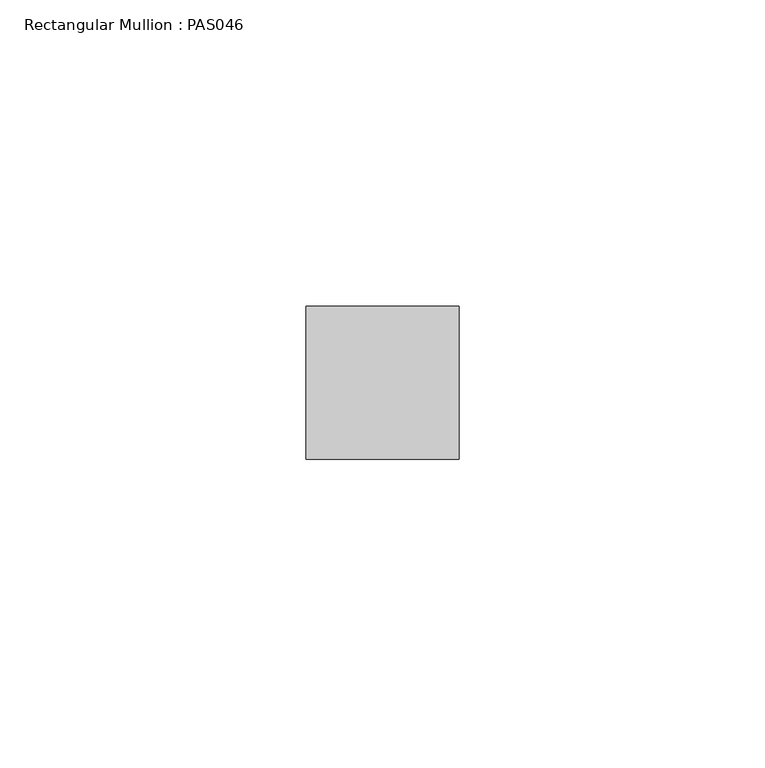
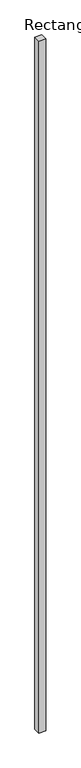
"""IFC4 building model written with IfcOpenShell, lengths in millimetres: member geometry, Rectangular Mullion : PAS046."""

from ifc_helpers import new_model, si_unit, frame, origin, place, context, project, spatial, polyline, outline, extrude, source, transform, mapped, element, save


def rectangular_mullion_pas046_0d79a38a(model_context):
    return source(origin(), model_context, "Body", "SweptSolid", [
        extrude(outline(polyline([(-25.0, 0.0), (-25.0, 25.0), (0.0, 25.0), (0.0, 0.0), (-25.0, 0.0)])), frame((0.0, 0.0, -2700.0), z_axis=(0.0, 0.0, 1.0), x_axis=(1.0, 0.0, 0.0)), (0.0, 0.0, 1.0), 2700.0),
    ])


if __name__ == "__main__":
    model = new_model("IFC4")
    model_context = context("Model", 3, world=origin())
    ifc_project = project(units=[si_unit("LENGTHUNIT", "METRE", prefix="MILLI")], contexts=[model_context])
    site = spatial("IfcSite", under=ifc_project)
    building = spatial("IfcBuilding", under=site)
    placement = place(None, origin())
    rectangular_mullion_pas046_shape = rectangular_mullion_pas046_0d79a38a(model_context)
    element("IfcMember", 1, ObjectType="Rectangular Mullion : PAS046", at=placement, inside=building, context=model_context, shape_type="MappedRepresentation", body=[
        mapped(rectangular_mullion_pas046_shape, transform((0.0, 0.0, 0.0), x_axis=(1.0, 0.0, 0.0), y_axis=(0.0, 1.0, 0.0), z_axis=(0.0, 0.0, 1.0))),
    ])
    save(model, "model.ifc")
